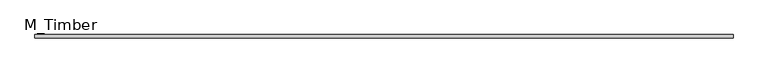
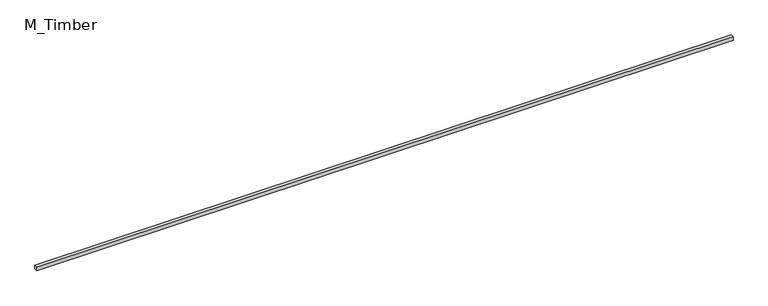
"""IFC4 building model written with IfcOpenShell, lengths in millimetres: beam geometry, M_Timber."""

from ifc_helpers import new_model, si_unit, frame, origin, place, context, project, spatial, polyline, outline, extrude, source, transform, mapped, element, save


def m_timber_49b4e262(model_context):
    return source(origin(), model_context, "Body", "SweptSolid", [
        extrude(outline(polyline([(4056.2620474, 20.0), (4056.2620474, -20.0), (-4056.2620474, -20.0), (-4056.2620474, 20.0), (4056.2620474, 20.0)])), frame((0.0, 0.0, -20.0), z_axis=(0.0, 0.0, 1.0), x_axis=(1.0, 0.0, 0.0)), (0.0, 0.0, 1.0), 40.0),
    ])


if __name__ == "__main__":
    model = new_model("IFC4")
    model_context = context("Model", 3, world=origin())
    ifc_project = project(units=[si_unit("LENGTHUNIT", "METRE", prefix="MILLI")], contexts=[model_context])
    site = spatial("IfcSite", under=ifc_project)
    building = spatial("IfcBuilding", under=site)
    placement = place(None, origin())
    m_timber_shape = m_timber_49b4e262(model_context)
    element("IfcBeam", 1, ObjectType="M_Timber", at=placement, inside=building, context=model_context, shape_type="MappedRepresentation", body=[
        mapped(m_timber_shape, transform((0.0, 0.0, 0.0), x_axis=(1.0, 0.0, 0.0), y_axis=(0.0, 1.0, 0.0), z_axis=(0.0, 0.0, 1.0))),
    ])
    save(model, "model.ifc")
